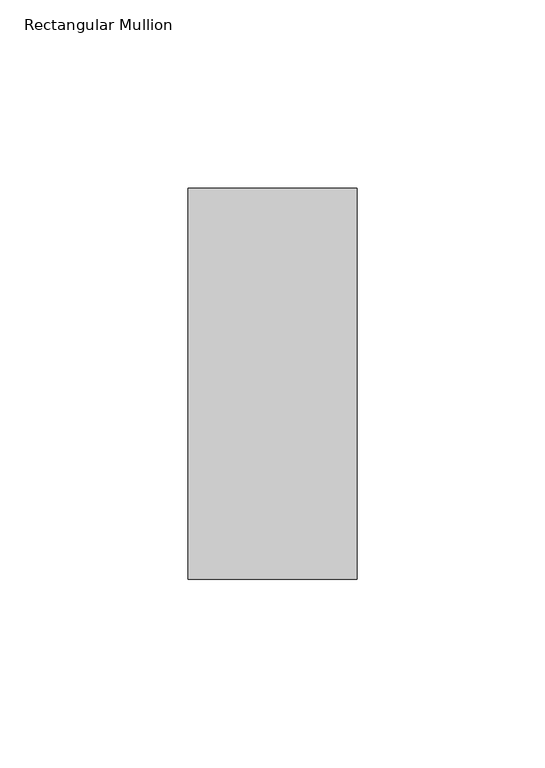
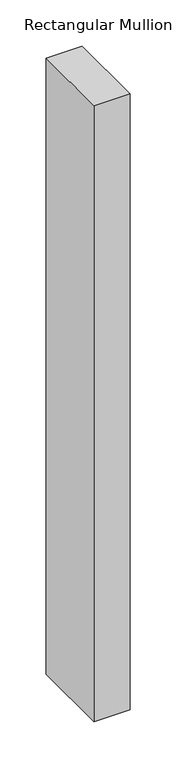
"""IFC4 building model written with IfcOpenShell, lengths in millimetres: member geometry, Rectangular Mullion."""

from ifc_helpers import new_model, si_unit, frame, origin, place, context, project, spatial, polyline, outline, extrude, source, transform, mapped, element, save


def rectangular_mullion_a7deeaf3(model_context):
    return source(origin(), model_context, "Body", "SweptSolid", [
        extrude(outline(polyline([(0.0, 67.525), (0.0, -36.525), (-45.0, -36.525), (-45.0, 67.525), (0.0, 67.525)])), frame((0.0, 0.0, -814.6354352), z_axis=(0.0, 0.0, 1.0), x_axis=(1.0, 0.0, 0.0)), (0.0, 0.0, 1.0), 814.6354352),
    ])


if __name__ == "__main__":
    model = new_model("IFC4")
    model_context = context("Model", 3, world=origin())
    ifc_project = project(units=[si_unit("LENGTHUNIT", "METRE", prefix="MILLI")], contexts=[model_context])
    site = spatial("IfcSite", under=ifc_project)
    building = spatial("IfcBuilding", under=site)
    placement = place(None, origin())
    rectangular_mullion_shape = rectangular_mullion_a7deeaf3(model_context)
    element("IfcMember", 1, ObjectType="Rectangular Mullion", at=placement, inside=building, context=model_context, shape_type="MappedRepresentation", body=[
        mapped(rectangular_mullion_shape, transform((0.0, 0.0, 0.0), x_axis=(1.0, 0.0, 0.0), y_axis=(0.0, 1.0, 0.0), z_axis=(0.0, 0.0, 1.0))),
    ])
    save(model, "model.ifc")
